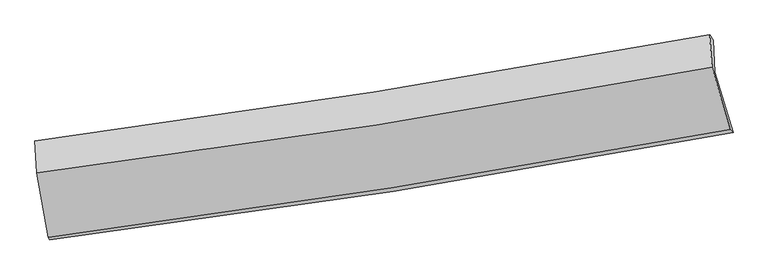
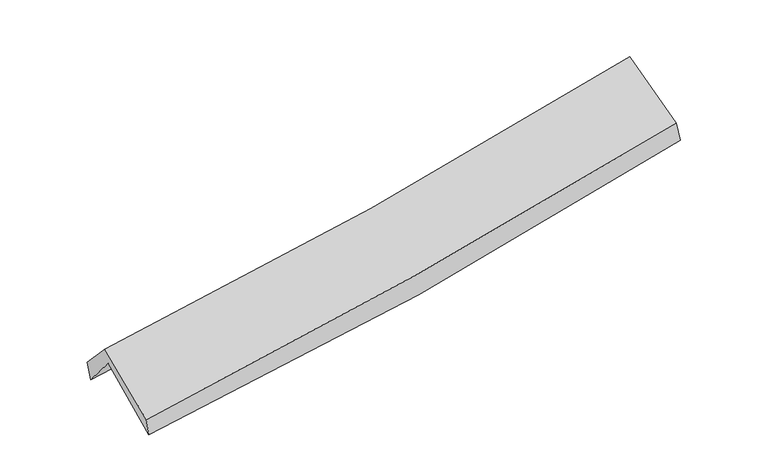
"""IFC4 building model written with IfcOpenShell, lengths in millimetres: proxy geometry."""

from ifc_helpers import new_model, si_unit, frame, origin, place, context, project, spatial, source, transform, mapped, element, save
from ifc_brep_helpers import plane_surface, spline_curve, spline_surface, advanced_brep


def generic_models_9c7f93cd(model_context):
    return source(origin(), model_context, "Body", "AdvancedBrep", [
        advanced_brep(
        [(-2698.2243642, -2514.0358494, 1473.7747844), (-2788.8963382, -2003.1965323, 1912.6168717), (2714.4663938, -1146.5959386, 2395.1715227), (2861.8477438, -1640.9153881, 1961.6499557), (-2803.75811, -1739.5581281, 1593.7403061), (2699.7906687, -886.2578852, 2080.2868054), (-2817.1201081, -1710.7622858, 1759.3872553), (2671.823223, -844.7390664, 2251.2277229), (-2800.5393323, -1970.5540634, 2040.5505069), (2690.4643742, -1107.6412155, 2536.2398099), (-2709.1174464, -2494.4548885, 1617.2741538), (2838.6769298, -1617.4594451, 2121.8310389)],
        [
            (0, 1),
            (1, 2, spline_curve(3, [(-2788.8963382, -2003.1965323, 1912.6168717), (-1864.828285935, -1880.738001832, 1962.220319929), (-943.542032958, -1748.010972582, 2027.312944697), (890.896664213, -1462.420054042, 2188.251059034), (1804.064655495, -1309.613552038, 2284.009984633), (2714.4663938, -1146.5959386, 2395.1715227)], [4, 2, 4], [0.0, 9.234771512500703, 18.443701774769767])),
            (2, 3),
            (3, 0, spline_curve(3, [(2861.8477438, -1640.9153881, 1961.6499557), (1945.154548141, -1815.944091405, 1843.534293945), (1024.123872895, -1976.137353212, 1743.851300028), (-829.209119211, -2267.260883689, 1581.122649604), (-1761.535813381, -2398.107775337, 1518.18058647), (-2698.2243642, -2514.0358494, 1473.7747844)], [4, 2, 4], [0.0, 9.208930262269064, 18.443701774769767])),
            (1, 4),
            (4, 5, spline_curve(3, [(-2803.75811, -1739.5581281, 1593.7403061), (-1879.718275136, -1616.599040776, 1642.738319379), (-958.430563677, -1483.897884002, 1707.862237688), (876.07031521, -1199.41002454, 1870.134526547), (1789.298863313, -1047.677766774, 1967.192774649), (2699.7906687, -886.2578852, 2080.2868054)], [4, 2, 4], [0.0, 9.18582247155721, 18.345940664806115])),
            (5, 2),
            (4, 6),
            (6, 7, spline_curve(3, [(-2817.1201081, -1710.7622858, 1759.3872553), (-1895.59189004, -1587.722896756, 1814.156719728), (-976.778761275, -1453.918424407, 1882.604721531), (852.853842091, -1165.183855348, 2046.627988829), (1763.68849024, -1010.313921419, 2142.126809807), (2671.823223, -844.7390664, 2251.2277229)], [4, 2, 4], [0.0, 9.175878042359354, 18.32607963346416])),
            (7, 5),
            (6, 8),
            (8, 9, spline_curve(3, [(-2800.5393323, -1970.5540634, 2040.5505069), (-1878.254855229, -1853.707978044, 2102.095694085), (-958.891947249, -1723.255743155, 2174.248446608), (871.426293627, -1435.542086812, 2339.537496279), (1782.397954526, -1278.356705779, 2432.614511878), (2690.4643742, -1107.6412155, 2536.2398099)], [4, 2, 4], [0.0, 9.167431054164313, 18.309209293905305])),
            (9, 7),
            (8, 10),
            (10, 11, spline_curve(3, [(-2709.1174464, -2494.4548885, 1617.2741538), (-1777.183040593, -2371.265976792, 1683.479523948), (-848.256101792, -2236.469931746, 1758.700140103), (1000.991882332, -1944.073248953, 1926.93615203), (1921.329735675, -1786.537479421, 2019.901164059), (2838.6769298, -1617.4594451, 2121.8310389)], [4, 2, 4], [0.0, 9.217061831348646, 18.408331968678446])),
            (11, 9),
            (10, 0),
            (3, 11),
        ],
        [
            spline_surface(3, 3, [[(-2698.2243642, -2514.0358494, 1473.7747844), (-1761.535813477, -2398.107775486, 1518.180586622), (-829.209119316, -2267.260883594, 1581.122649659), (1024.123873, -1976.137353306, 1743.851299973), (1945.15454816, -1815.944091451, 1843.534294096), (2861.8477438, -1640.9153881, 1961.6499557)], [(-2728.44835555, -2343.756077016, 1620.055480152), (-1795.96663767, -2225.6511843, 1666.193831023), (-867.320090553, -2094.177579955, 1729.852748), (979.71480346, -1804.898253566, 1891.984553011), (1898.124583884, -1647.167245015, 1990.359524283), (2812.720627108, -1476.142238267, 2106.157144721)], [(-2758.67234685, -2173.476304684, 1766.336175948), (-1830.397461812, -2053.194593166, 1814.207075468), (-905.43106184, -1921.094276246, 1878.582846322), (935.305733872, -1633.659153758, 2040.117806029), (1851.094619684, -1478.390398578, 2137.184754406), (2763.593510492, -1311.369088433, 2250.664333679)], [(-2788.8963382, -2003.1965323, 1912.6168717), (-1864.828286005, -1880.738001979, 1962.220319869), (-943.542033078, -1748.010972606, 2027.312944664), (890.896664333, -1462.420054018, 2188.251059067), (1804.064655409, -1309.613552142, 2284.009984594), (2714.4663938, -1146.5959386, 2395.1715227)]], [4, 4], [4, 2, 4], [0.0, 2.2739040049276364], [0.0, 9.234771512500703, 18.443701774769767]),
            spline_surface(3, 3, [[(-2788.8963382, -2003.1965323, 1912.6168717), (-1864.828286005, -1880.738001979, 1962.220319869), (-943.542033078, -1748.010972606, 2027.312944664), (890.896664333, -1462.420054018, 2188.251059067), (1804.064655409, -1309.613552142, 2284.009984594), (2714.4663938, -1146.5959386, 2395.1715227)], [(-2793.850262114, -1915.317064251, 1806.32468317), (-1869.791615686, -1792.69168159, 1855.726319689), (-948.504876597, -1659.973276417, 1920.829375647), (885.954547954, -1374.750044149, 2082.212214905), (1799.142724726, -1222.301623711, 2178.404247966), (2709.574485458, -1059.816587465, 2290.209950262)], [(-2798.804186086, -1827.437596149, 1700.03249463), (-1874.754945426, -1704.645361147, 1749.232319499), (-953.46772013, -1571.935580274, 1814.34580665), (881.012431561, -1287.080034326, 1976.173370763), (1794.220793968, -1134.989695285, 2072.798511351), (2704.682577042, -973.037236335, 2185.248377838)], [(-2803.75811, -1739.5581281, 1593.7403061), (-1879.718275106, -1616.599040757, 1642.738319319), (-958.430563649, -1483.897884085, 1707.862237633), (876.070315182, -1199.410024457, 1870.134526601), (1789.298863284, -1047.677766854, 1967.192774723), (2699.7906687, -886.2578852, 2080.2868054)]], [4, 4], [4, 2, 4], [0.0, 1.3579286549537224], [0.0, 9.18582247155721, 18.345940664806115]),
            spline_surface(3, 3, [[(-2803.75811, -1739.5581281, 1593.7403061), (-1879.718275106, -1616.599040757, 1642.738319319), (-958.430563649, -1483.897884085, 1707.862237633), (876.070315182, -1199.410024457, 1870.134526601), (1789.298863284, -1047.677766854, 1967.192774723), (2699.7906687, -886.2578852, 2080.2868054)], [(-2808.212109364, -1729.959513992, 1648.955955835), (-1885.009480114, -1606.973659441, 1699.87778608), (-964.546629517, -1473.904730877, 1766.109732224), (868.331490791, -1188.001301434, 1928.965680703), (1780.762072239, -1035.223151674, 2025.504119691), (2690.468186794, -872.418278945, 2137.267111224)], [(-2812.666108736, -1720.360899908, 1704.171605565), (-1890.300685131, -1597.34827815, 1757.017252835), (-970.662695355, -1463.911577622, 1824.357226839), (860.59266643, -1176.592578364, 1987.796834828), (1772.225281212, -1022.768536458, 2083.815464687), (2681.145704906, -858.578672655, 2194.247417076)], [(-2817.1201081, -1710.7622858, 1759.3872553), (-1895.591890139, -1587.722896834, 1814.156719595), (-976.778761223, -1453.918424414, 1882.60472143), (852.853842039, -1165.183855341, 2046.62798893), (1763.688490167, -1010.313921278, 2142.126809654), (2671.823223, -844.7390664, 2251.2277229)]], [4, 4], [4, 2, 4], [0.0, 0.5896631995311122], [0.0, 9.175878042359354, 18.32607963346416]),
            spline_surface(3, 3, [[(-2817.1201081, -1710.7622858, 1759.3872553), (-1895.591890139, -1587.722896834, 1814.156719595), (-976.778761223, -1453.918424414, 1882.60472143), (852.853842039, -1165.183855341, 2046.62798893), (1763.688490167, -1010.313921278, 2142.126809654), (2671.823223, -844.7390664, 2251.2277229)], [(-2811.593182851, -1797.359545018, 1853.108339163), (-1889.812878564, -1676.384590581, 1910.136377803), (-970.816489943, -1543.697530679, 1979.81929647), (859.044659272, -1255.303265823, 2144.264491455), (1769.924978298, -1099.661516062, 2238.956043726), (2678.036940058, -932.37311608, 2346.231751901)], [(-2806.066257549, -1883.956804182, 1946.829423037), (-1884.033866935, -1765.046284275, 2006.116036022), (-964.854218652, -1633.47663693, 2077.033871426), (865.235476517, -1345.422676291, 2241.900993895), (1776.161466454, -1189.009110907, 2335.785277794), (2684.250657142, -1020.00716582, 2441.235780899)], [(-2800.5393323, -1970.5540634, 2040.5505069), (-1878.25485536, -1853.707978022, 2102.09569423), (-958.891947372, -1723.255743195, 2174.248446467), (871.426293749, -1435.542086773, 2339.53749642), (1782.397954586, -1278.356705692, 2432.614511866), (2690.4643742, -1107.6412155, 2536.2398099)]], [4, 4], [4, 2, 4], [0.0, 1.3064743538359531], [0.0, 9.167431054164313, 18.309209293905305]),
            spline_surface(3, 3, [[(-2800.5393323, -1970.5540634, 2040.5505069), (-1878.25485536, -1853.707978022, 2102.09569423), (-958.891947372, -1723.255743195, 2174.248446467), (871.426293749, -1435.542086773, 2339.53749642), (1782.397954586, -1278.356705692, 2432.614511866), (2690.4643742, -1107.6412155, 2536.2398099)], [(-2770.065370343, -2145.187671765, 1899.458389206), (-1844.564250467, -2026.227310947, 1962.556970781), (-922.013332225, -1894.327139403, 2035.732344366), (914.614823295, -1605.052474103, 2202.0037149), (1828.708548293, -1447.750296907, 2295.043395901), (2739.868559406, -1277.580625369, 2398.103552912)], [(-2739.591408357, -2319.821280135, 1758.366271494), (-1810.873645544, -2198.746643876, 1823.018247313), (-885.134717035, -2065.398535669, 1897.216242319), (957.803352882, -1774.562861492, 2064.469933435), (1875.019141982, -1617.143888116, 2157.472279899), (2789.272744594, -1447.520035231, 2259.967295888)], [(-2709.1174464, -2494.4548885, 1617.2741538), (-1777.18304065, -2371.265976802, 1683.479523865), (-848.256101887, -2236.469931877, 1758.700140218), (1000.991882427, -1944.073248822, 1926.936151916), (1921.329735689, -1786.537479331, 2019.901163934), (2838.6769298, -1617.4594451, 2121.8310389)]], [4, 4], [4, 2, 4], [0.0, 2.193203573627732], [0.0, 9.217061831348646, 18.408331968678446]),
            spline_surface(3, 3, [[(-2709.1174464, -2494.4548885, 1617.2741538), (-1777.18304065, -2371.265976802, 1683.479523865), (-848.256101887, -2236.469931877, 1758.700140218), (1000.991882427, -1944.073248822, 1926.936151916), (1921.329735689, -1786.537479331, 2019.901163934), (2838.6769298, -1617.4594451, 2121.8310389)], [(-2705.486418978, -2500.981875458, 1569.441030673), (-1771.967298237, -2380.213243021, 1628.379878124), (-841.90710769, -2246.733582441, 1699.507643363), (1008.702545958, -1954.761283642, 1865.907867933), (1929.271339854, -1796.339683378, 1961.112207301), (2846.400534475, -1625.278092773, 2068.437344479)], [(-2701.855391622, -2507.508862442, 1521.607907527), (-1766.75155589, -2389.160509267, 1573.280232363), (-835.558113513, -2256.99723303, 1640.315146514), (1016.413209469, -1965.449318486, 1804.879583956), (1937.212943995, -1806.141887405, 1902.32325073), (2854.124139125, -1633.096740427, 2015.043650121)], [(-2698.2243642, -2514.0358494, 1473.7747844), (-1761.535813477, -2398.107775486, 1518.180586622), (-829.209119316, -2267.260883594, 1581.122649659), (1024.123873, -1976.137353306, 1743.851299973), (1945.15454816, -1815.944091451, 1843.534294096), (2861.8477438, -1640.9153881, 1961.6499557)]], [4, 4], [4, 2, 4], [0.0, 0.604499795709403], [0.0, 9.274333763858756, 18.52271557219818]),
            plane_surface(frame((2746.1782222, -1207.2681565, 2224.4011426), z_axis=(0.9749489283325815, 0.19160296471723884, 0.1129729660348689), x_axis=(0.22005979751391672, -0.7569567632626221, -0.6152967934819007))),
            plane_surface(frame((-2769.6092832, -2072.0936246, 1732.8906464), z_axis=(-0.9903383367955483, -0.12596552859623808, -0.05798848401620536), x_axis=(-0.07500148252319246, 0.13481960925602957, 0.988027555576956))),
        ],
        [
            (0, [[1, 2, 3, 4]]),
            (1, [[5, 6, 7, -2]]),
            (2, [[8, 9, 10, -6]]),
            (3, [[11, 12, 13, -9]]),
            (4, [[14, 15, 16, -12]]),
            (5, [[17, -4, 18, -15]]),
            (6, [[-16, -18, -3, -7, -10, -13]]),
            (7, [[-17, -14, -11, -8, -5, -1]]),
        ],
    ),
    ])


if __name__ == "__main__":
    model = new_model("IFC4")
    model_context = context("Model", 3, world=origin())
    ifc_project = project(units=[si_unit("LENGTHUNIT", "METRE", prefix="MILLI")], contexts=[model_context])
    site = spatial("IfcSite", under=ifc_project)
    building = spatial("IfcBuilding", under=site)
    placement = place(None, origin())
    generic_models_shape = generic_models_9c7f93cd(model_context)
    element("IfcBuildingElementProxy", 1, Name="Generic Models", at=placement, inside=building, context=model_context, shape_type="MappedRepresentation", body=[
        mapped(generic_models_shape, transform((0.0, 0.0, 0.0), x_axis=(1.0, 0.0, 0.0), y_axis=(0.0, 1.0, 0.0), z_axis=(0.0, 0.0, 1.0))),
    ])
    save(model, "model.ifc")
